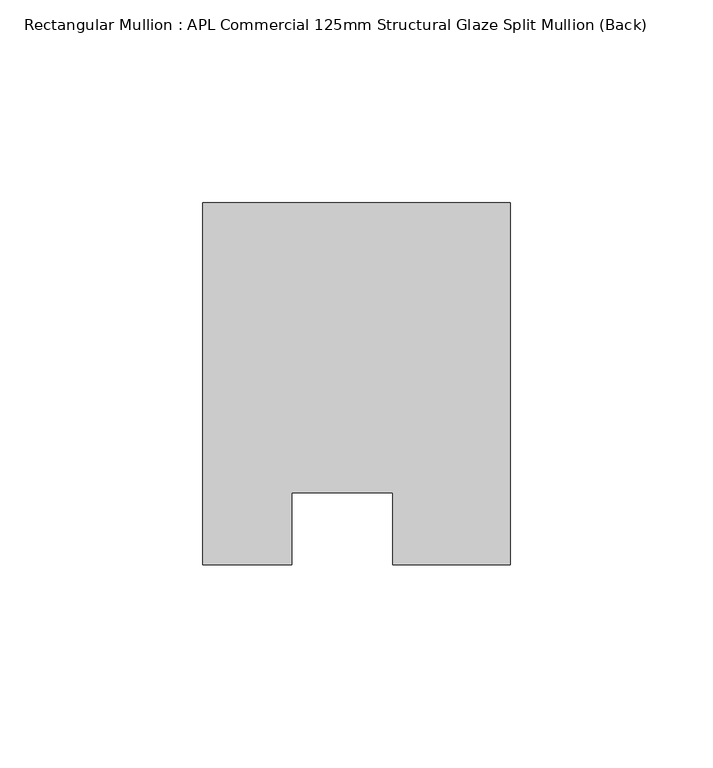
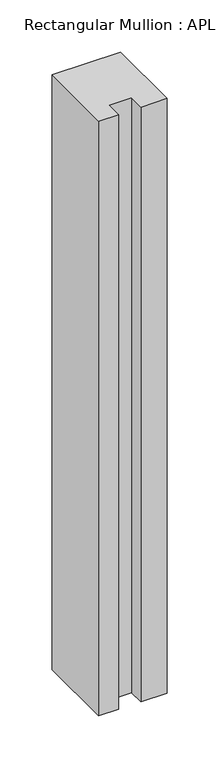
"""IFC4 building model written with IfcOpenShell, lengths in millimetres: member geometry, Rectangular Mullion : APL Commercial 125mm Structural Glaze Split Mullion (Back)."""

from ifc_helpers import new_model, si_unit, frame, origin, place, context, project, spatial, polyline, outline, extrude, source, transform, mapped, element, save


def rectangular_mullion_apl_commercial_125mm_structural_glaze_72b2c6eb(model_context):
    return source(origin(), model_context, "Body", "SweptSolid", [
        extrude(outline(polyline([(37.9999914, 104.4960123), (37.9999914, 14.9960123), (9.0, 14.9960123), (9.0, 32.7960123), (-16.0, 32.7960123), (-16.0, 14.9960123), (-37.9999896, 14.9960123), (-37.9999896, 104.4960123), (37.9999914, 104.4960123)])), frame((0.0, 0.0, -697.0382346), z_axis=(0.0, 0.0, 1.0), x_axis=(1.0, 0.0, 0.0)), (0.0, 0.0, 1.0), 697.0382346),
    ])


if __name__ == "__main__":
    model = new_model("IFC4")
    model_context = context("Model", 3, world=origin())
    ifc_project = project(units=[si_unit("LENGTHUNIT", "METRE", prefix="MILLI")], contexts=[model_context])
    site = spatial("IfcSite", under=ifc_project)
    building = spatial("IfcBuilding", under=site)
    placement = place(None, origin())
    rectangular_mullion_apl_commercial_125mm_structural_glaze_shape = rectangular_mullion_apl_commercial_125mm_structural_glaze_72b2c6eb(model_context)
    element("IfcMember", 1, ObjectType="Rectangular Mullion : APL Commercial 125mm Structural Glaze Split Mullion (Back)", at=placement, inside=building, context=model_context, shape_type="MappedRepresentation", body=[
        mapped(rectangular_mullion_apl_commercial_125mm_structural_glaze_shape, transform((0.0, 0.0, 0.0), x_axis=(1.0, 0.0, 0.0), y_axis=(0.0, 1.0, 0.0), z_axis=(0.0, 0.0, 1.0))),
    ])
    save(model, "model.ifc")
